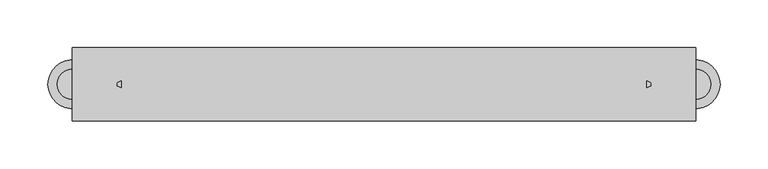
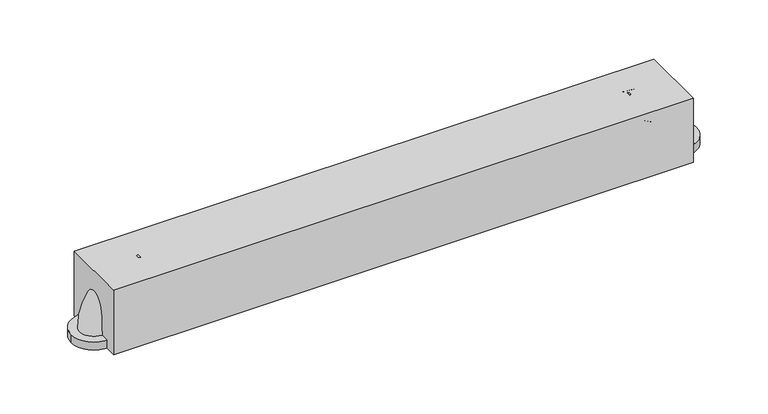
"""IFC4 building model written with IfcOpenShell, lengths in millimetres: proxy geometry."""

from ifc_helpers import new_model, si_unit, point, frame, frame_2d, origin, origin_with_axes, place, context, project, spatial, polyline, circle_curve, ellipse_curve, trimmed, segment, composite_curve, outline, extrude, source, transform, mapped, element, save
from ifc_brep_helpers import plane_surface, revolved_surface, advanced_brep


def specialty_equipment_4bc7b022(model_context):
    return source(origin(), model_context, "Body", "SolidModel", [
        advanced_brep(
        [(274.0186092, 15.875, 60.325), (274.0186092, -15.875, 60.325), (324.8186092, 15.875, 9.525), (324.8186092, -15.875, 9.525)],
        [
            (0, 1, circle_curve(frame((274.0186092, 0.0, 60.325), z_axis=(-1.0, 0.0, 0.0), x_axis=(0.0, -1.0, 0.0)), 15.875)),
            (1, 0, circle_curve(frame((274.0186092, 0.0, 60.325), z_axis=(-1.0, 0.0, 0.0), x_axis=(0.0, -1.0, 0.0)), 15.875)),
            (2, 3, circle_curve(frame((324.8186092, 0.0, 9.525), z_axis=(0.0, 0.0, -1.0), x_axis=(0.0, -1.0, 0.0)), 15.875)),
            (3, 2, circle_curve(frame((324.8186092, 0.0, 9.525), z_axis=(0.0, 0.0, -1.0), x_axis=(0.0, -1.0, 0.0)), 15.875)),
            (2, 0, circle_curve(frame((274.0186092, 15.875, 9.525), z_axis=(0.0, -1.0, 0.0), x_axis=(0.0, 0.0, 1.0)), 50.8)),
            (1, 3, circle_curve(frame((274.0186092, -15.875, 9.525), z_axis=(0.0, 1.0, 0.0), x_axis=(0.0, 0.0, 1.0)), 50.8)),
        ],
        [
            plane_surface(frame((274.0186092, 0.0, 60.325), z_axis=(-1.0, 0.0, 0.0), x_axis=(0.0, -1.0, 0.0))),
            plane_surface(frame((324.8186092, 0.0, 9.525), z_axis=(0.0, 0.0, -1.0), x_axis=(0.0, -1.0, 0.0))),
            revolved_surface(trimmed(ellipse_curve(frame((274.0186092, 0.0, 60.325), z_axis=(1.0, 0.0, 0.0), x_axis=(0.0, -1.0, 0.0)), 15.875, 15.875), [point((274.0186092, 15.875, 60.325))], [point((274.0186092, -15.875, 60.325))], True, "CARTESIAN"), (274.0186092, 0.0, 9.525), (0.0, -1.0, 0.0)),
            revolved_surface(trimmed(ellipse_curve(frame((274.0186092, 0.0, 60.325), z_axis=(1.0, 0.0, 0.0), x_axis=(0.0, -1.0, 0.0)), 15.875, 15.875), [point((274.0186092, -15.875, 60.325))], [point((274.0186092, 15.875, 60.325))], True, "CARTESIAN"), (274.0186092, 0.0, 9.525), (0.0, -1.0, 0.0)),
        ],
        [
            (0, [[1, 2]]),
            (1, [[3, 4]]),
            (2, [[-3, 5, -2, 6]]),
            (3, [[-4, -6, -1, -5]]),
        ],
    ),
        extrude(outline(composite_curve([segment(trimmed(circle_curve(frame_2d((324.8186092, 0.0)), 25.4), [point((350.2186092, 0.0))], [point((299.4186092, 0.0))], False, "CARTESIAN"), True, "CONTINUOUS"), segment(trimmed(circle_curve(frame_2d((324.8186092, 0.0)), 25.4), [point((299.4186092, 0.0))], [point((350.2186092, 0.0))], False, "CARTESIAN"), True, "CONTINUOUS")], self_intersect=False)), origin_with_axes(), (0.0, 0.0, 1.0), 9.525),
        advanced_brep(
        [(-274.0186092, 15.875, 60.325), (-274.0186092, -15.875, 60.325), (-324.8186092, 15.875, 9.525), (-324.8186092, -15.875, 9.525)],
        [
            (0, 1, circle_curve(frame((-274.0186092, 0.0, 60.325), z_axis=(1.0, 0.0, 0.0), x_axis=(0.0, -1.0, 0.0)), 15.875)),
            (1, 0, circle_curve(frame((-274.0186092, 0.0, 60.325), z_axis=(1.0, 0.0, 0.0), x_axis=(0.0, -1.0, 0.0)), 15.875)),
            (2, 3, circle_curve(frame((-324.8186092, 0.0, 9.525), z_axis=(0.0, 0.0, -1.0), x_axis=(0.0, -1.0, 0.0)), 15.875)),
            (3, 2, circle_curve(frame((-324.8186092, 0.0, 9.525), z_axis=(0.0, 0.0, -1.0), x_axis=(0.0, -1.0, 0.0)), 15.875)),
            (3, 1, circle_curve(frame((-274.0186092, -15.875, 9.525), z_axis=(0.0, 1.0, 0.0), x_axis=(0.0, 0.0, 1.0)), 50.8)),
            (0, 2, circle_curve(frame((-274.0186092, 15.875, 9.525), z_axis=(0.0, -1.0, 0.0), x_axis=(0.0, 0.0, 1.0)), 50.8)),
        ],
        [
            plane_surface(frame((-274.0186092, 0.0, 60.325), z_axis=(1.0, 0.0, 0.0), x_axis=(0.0, -1.0, 0.0))),
            plane_surface(frame((-324.8186092, 0.0, 9.525), z_axis=(0.0, 0.0, -1.0), x_axis=(0.0, -1.0, 0.0))),
            revolved_surface(trimmed(ellipse_curve(frame((-274.0186092, 0.0, 60.325), z_axis=(1.0, 0.0, 0.0), x_axis=(0.0, -1.0, 0.0)), 15.875, 15.875), [point((-274.0186092, 15.875, 60.325))], [point((-274.0186092, -15.875, 60.325))], True, "CARTESIAN"), (-274.0186092, 0.0, 9.525), (0.0, -1.0, 0.0)),
            revolved_surface(trimmed(ellipse_curve(frame((-274.0186092, 0.0, 60.325), z_axis=(1.0, 0.0, 0.0), x_axis=(0.0, -1.0, 0.0)), 15.875, 15.875), [point((-274.0186092, -15.875, 60.325))], [point((-274.0186092, 15.875, 60.325))], True, "CARTESIAN"), (-274.0186092, 0.0, 9.525), (0.0, -1.0, 0.0)),
        ],
        [
            (0, [[1, 2]]),
            (1, [[3, 4]]),
            (2, [[5, -1, 6, -4]]),
            (3, [[-6, -2, -5, -3]]),
        ],
    ),
        extrude(outline(composite_curve([segment(trimmed(circle_curve(frame_2d((-324.8186092, 0.0)), 25.4), [point((-350.2186092, 0.0))], [point((-299.4186092, 0.0))], False, "CARTESIAN"), True, "CONTINUOUS"), segment(trimmed(circle_curve(frame_2d((-324.8186092, 0.0)), 25.4), [point((-299.4186092, 0.0))], [point((-350.2186092, 0.0))], False, "CARTESIAN"), True, "CONTINUOUS")], self_intersect=False)), origin_with_axes(), (0.0, 0.0, 1.0), 9.525),
        extrude(outline(polyline([(324.8186092, -38.1), (-324.8186092, -38.1), (-324.8186092, 38.1), (324.8186092, 38.1), (324.8186092, -38.1)])), origin_with_axes(), (0.0, 0.0, 1.0), 76.2),
        extrude(outline(composite_curve([segment(trimmed(circle_curve(frame_2d((0.0, 60.325)), 15.875), [point((-15.875, 60.325))], [point((15.875, 60.325))], False, "CARTESIAN"), True, "CONTINUOUS"), segment(trimmed(circle_curve(frame_2d((0.0, 60.325)), 15.875), [point((15.875, 60.325))], [point((-15.875, 60.325))], False, "CARTESIAN"), True, "CONTINUOUS")], self_intersect=False)), frame((-274.0186092, 0.0, 0.0), z_axis=(1.0, 0.0, 0.0), x_axis=(0.0, 1.0, 0.0)), (0.0, 0.0, 1.0), 548.0372183),
    ])


if __name__ == "__main__":
    model = new_model("IFC4")
    model_context = context("Model", 3, world=origin())
    ifc_project = project(units=[si_unit("LENGTHUNIT", "METRE", prefix="MILLI")], contexts=[model_context])
    site = spatial("IfcSite", under=ifc_project)
    building = spatial("IfcBuilding", under=site)
    placement = place(None, origin())
    specialty_equipment_shape = specialty_equipment_4bc7b022(model_context)
    element("IfcBuildingElementProxy", 1, Name="Specialty Equipment", at=placement, inside=building, context=model_context, shape_type="MappedRepresentation", body=[
        mapped(specialty_equipment_shape, transform((0.0, 0.0, 0.0), x_axis=(1.0, 0.0, 0.0), y_axis=(0.0, 1.0, 0.0), z_axis=(0.0, 0.0, 1.0))),
    ])
    save(model, "model.ifc")
